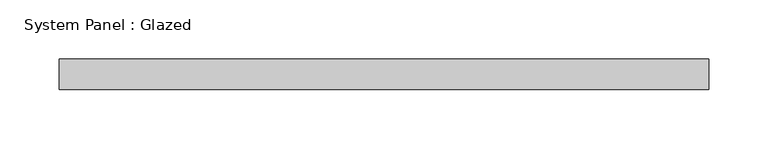
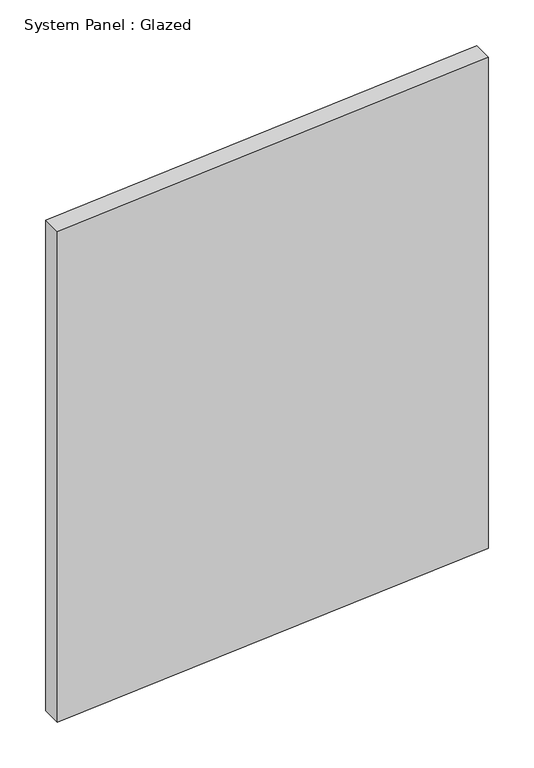
"""IFC4 building model written with IfcOpenShell, lengths in millimetres: plate geometry, System Panel : Glazed."""

from ifc_helpers import new_model, si_unit, frame, origin, place, context, project, spatial, polyline, outline, extrude, source, transform, mapped, element, save


def system_panel_glazed_50919c42(model_context):
    return source(origin(), model_context, "Body", "SweptSolid", [
        extrude(outline(polyline([(0.0, -273.05), (42.0889554, 273.05), (699.6014799, 273.05), (657.0424104, -273.05), (0.0, -273.05)])), frame((0.0, 19.05, 0.0), z_axis=(0.0, 1.0, 0.0), x_axis=(0.0, 0.0, 1.0)), (0.0, 0.0, 1.0), 25.4),
    ])


if __name__ == "__main__":
    model = new_model("IFC4")
    model_context = context("Model", 3, world=origin())
    ifc_project = project(units=[si_unit("LENGTHUNIT", "METRE", prefix="MILLI")], contexts=[model_context])
    site = spatial("IfcSite", under=ifc_project)
    building = spatial("IfcBuilding", under=site)
    placement = place(None, origin())
    system_panel_glazed_shape = system_panel_glazed_50919c42(model_context)
    element("IfcPlate", 1, ObjectType="System Panel : Glazed", at=placement, inside=building, context=model_context, shape_type="MappedRepresentation", body=[
        mapped(system_panel_glazed_shape, transform((0.0, 0.0, 0.0), x_axis=(1.0, 0.0, 0.0), y_axis=(0.0, 1.0, 0.0), z_axis=(0.0, 0.0, 1.0))),
    ])
    save(model, "model.ifc")
